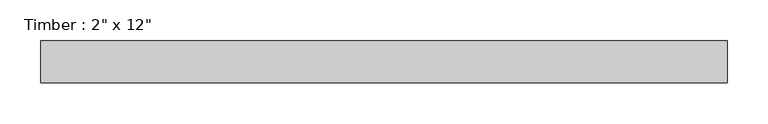
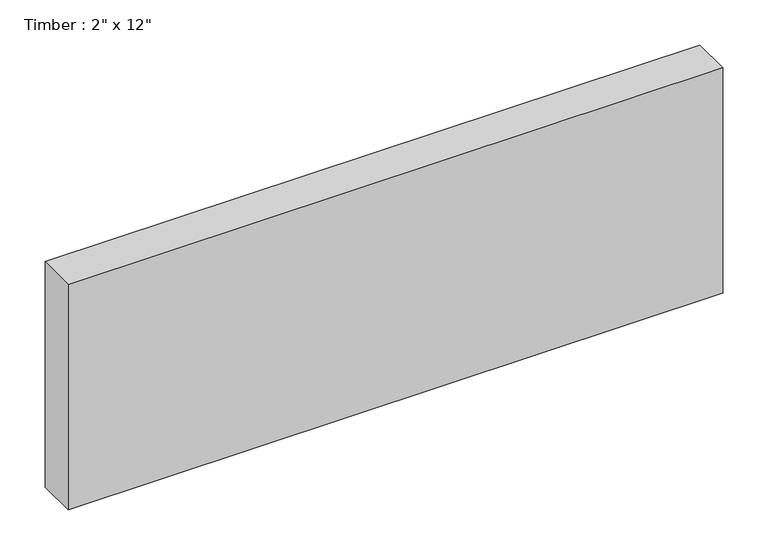
"""IFC4 building model written with IfcOpenShell, lengths in millimetres: beam geometry."""

from ifc_helpers import new_model, si_unit, frame, origin, place, context, project, spatial, polyline, outline, extrude, source, transform, mapped, element, save


def beam_e6a35286(model_context):
    return source(origin(), model_context, "Body", "SweptSolid", [
        extrude(outline(polyline([(416.9282112, 25.4), (416.9282112, -25.4), (-420.0018667, -25.4), (-420.0018667, 25.4), (416.9282112, 25.4)])), frame((0.0, 0.0, -152.4), z_axis=(0.0, 0.0, 1.0), x_axis=(1.0, 0.0, 0.0)), (0.0, 0.0, 1.0), 304.8),
    ])


if __name__ == "__main__":
    model = new_model("IFC4")
    model_context = context("Model", 3, world=origin())
    ifc_project = project(units=[si_unit("LENGTHUNIT", "METRE", prefix="MILLI")], contexts=[model_context])
    site = spatial("IfcSite", under=ifc_project)
    building = spatial("IfcBuilding", under=site)
    placement = place(None, origin())
    beam_shape = beam_e6a35286(model_context)
    element("IfcBeam", 1, ObjectType="Timber : 2\" x 12\"", at=placement, inside=building, context=model_context, shape_type="MappedRepresentation", body=[
        mapped(beam_shape, transform((0.0, 0.0, 0.0), x_axis=(1.0, 0.0, 0.0), y_axis=(0.0, 1.0, 0.0), z_axis=(0.0, 0.0, 1.0))),
    ])
    save(model, "model.ifc")
